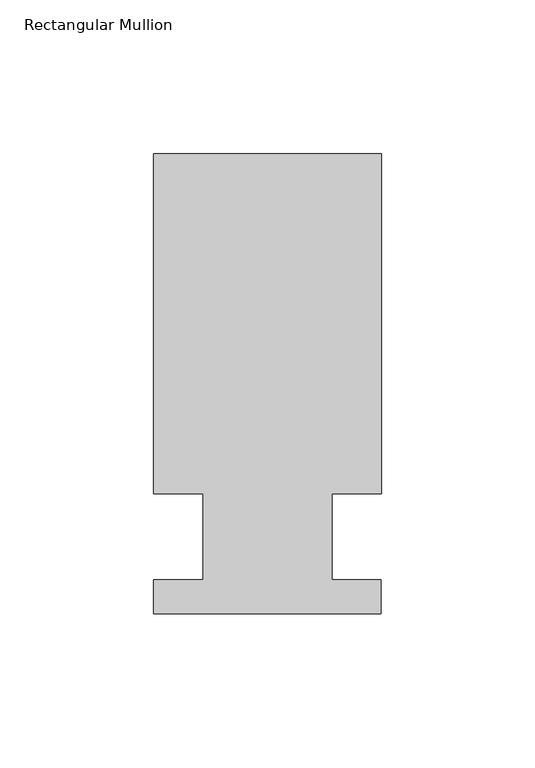
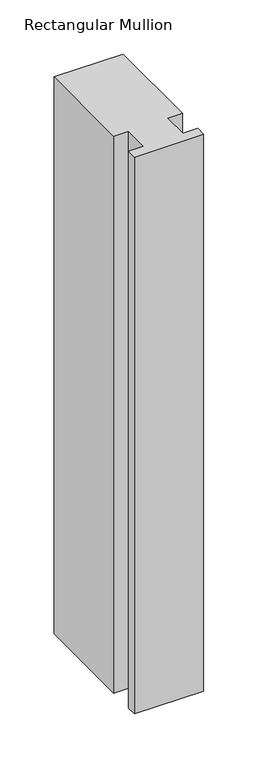
"""IFC4 building model written with IfcOpenShell, lengths in millimetres: member geometry, Rectangular Mullion."""

import ifcopenshell
import ifcopenshell.guid

model = None  # the IFC model being written
_history = None  # IfcOwnerHistory: only IFC2X3 demands one
_inside = {}  # id of a spatial element -> (the spatial element, [elements in it])
_under = {}  # id of a project, library or spatial element -> (it, [spatial elements below it])
_declared = {}  # id of a project -> (the project, [libraries it declares])
_typed = {}  # id of a type object -> (the type object, [elements of that type])
_made_of = {}  # id of a material, layer set ... -> (it, [elements and type objects made of it])


def new_model(schema):
    """Start an empty IFC model of exactly this schema.

    Asked for "IFC4X3", IfcOpenShell would pick the latest addendum, in which some entities
    have other attributes; the version numbers below select the first issue.
    IFC2X3 requires an IfcOwnerHistory on every rooted entity: one is made here for all.
    """
    global model, _history
    if schema == "IFC4X3":
        model = ifcopenshell.file(schema_version=(4, 3, 0, 0))
    else:
        model = ifcopenshell.file(schema=schema)
    _inside.clear()
    _under.clear()
    _declared.clear()
    _typed.clear()
    _made_of.clear()
    _history = None
    if model.schema == "IFC2X3":
        org = make("IfcOrganization", Name="unknown")
        user = make(
            "IfcPersonAndOrganization",
            ThePerson=make("IfcPerson", FamilyName="unknown"),
            TheOrganization=org,
        )
        app = make(
            "IfcApplication",
            ApplicationDeveloper=org,
            Version="unknown",
            ApplicationFullName="unknown",
            ApplicationIdentifier="unknown",
        )
        _history = make(
            "IfcOwnerHistory",
            OwningUser=user,
            OwningApplication=app,
            ChangeAction="ADDED",
            CreationDate=0,
        )
    return model


def make(cls, **values):
    """One entity of the class cls with the attributes given. An attribute that is None is left unset."""
    return model.create_entity(
        cls, **{name: value for name, value in values.items() if value is not None}
    )


def rooted(cls, **values):
    """An entity with a GlobalId (a new one), such as an element, a storey or a relation."""
    return make(cls, GlobalId=ifcopenshell.guid.new(), OwnerHistory=_history, **values)


def si_unit(unit_type, name, prefix=None):
    """IfcSIUnit, for example si_unit("LENGTHUNIT", "METRE", prefix="MILLI")."""
    return make("IfcSIUnit", UnitType=unit_type, Prefix=prefix, Name=name)


def assignment(units):
    """IfcUnitAssignment: the units of a project."""
    return None if units is None else make("IfcUnitAssignment", Units=units)


def point(xyz):
    """IfcCartesianPoint."""
    return None if xyz is None else make("IfcCartesianPoint", Coordinates=xyz)


def direction(xyz):
    """IfcDirection."""
    return None if xyz is None else make("IfcDirection", DirectionRatios=xyz)


def frame(location, z_axis=None, x_axis=None):
    """IfcAxis2Placement3D, a coordinate frame: its origin and axes. An axis left out is left unset."""
    return make(
        "IfcAxis2Placement3D",
        Location=point(location),
        Axis=direction(z_axis),
        RefDirection=direction(x_axis),
    )


def origin():
    """The frame at (0, 0, 0) with its axes left unset."""
    return frame((0.0, 0.0, 0.0))


def place(relative_to, where):
    """IfcLocalPlacement: puts the frame where relative to a parent placement (None: the world)."""
    return make(
        "IfcLocalPlacement", PlacementRelTo=relative_to, RelativePlacement=where
    )


def context(
    kind, dimensions, precision=None, world=None, true_north=None, identifier=None
):
    """IfcGeometricRepresentationContext, for example the 3D "Model" context."""
    return make(
        "IfcGeometricRepresentationContext",
        ContextIdentifier=identifier,
        ContextType=kind,
        CoordinateSpaceDimension=dimensions,
        Precision=precision,
        WorldCoordinateSystem=world,
        TrueNorth=true_north,
    )


def project(units=None, contexts=None):
    """IfcProject with its units and contexts."""
    return rooted(
        "IfcProject",
        Name="project",
        RepresentationContexts=contexts,
        UnitsInContext=assignment(units),
    )


def spatial(cls, under=None, at=None, **own):
    """A site, building, storey or space (cls), placed at a placement, below another one or the project."""
    s = rooted(cls, ObjectPlacement=at, **own)
    if under is not None:
        _under.setdefault(under.id(), (under, []))[1].append(s)
    return s


def polyline(points):
    """IfcPolyline through the points."""
    return make("IfcPolyline", Points=[point(p) for p in points])


def outline(outer, holes=None, kind="AREA"):
    """IfcArbitraryClosedProfileDef: a profile drawn as a closed curve; with holes, ...WithVoids."""
    if holes is None:
        return make("IfcArbitraryClosedProfileDef", ProfileType=kind, OuterCurve=outer)
    return make(
        "IfcArbitraryProfileDefWithVoids",
        ProfileType=kind,
        OuterCurve=outer,
        InnerCurves=holes,
    )


def extrude(swept, where, along, depth):
    """IfcExtrudedAreaSolid: the profile swept, set in the frame where, extruded along a direction by depth."""
    return make(
        "IfcExtrudedAreaSolid",
        SweptArea=swept,
        Position=where,
        ExtrudedDirection=direction(along),
        Depth=depth,
    )


def shape(context_of_items, identifier, shape_type, items):
    """IfcShapeRepresentation: the items that make up one representation, for example the "Body"."""
    return make(
        "IfcShapeRepresentation",
        ContextOfItems=context_of_items,
        RepresentationIdentifier=identifier,
        RepresentationType=shape_type,
        Items=items,
    )


def source(mapping_origin, context_of_items, identifier, shape_type, items):
    """IfcRepresentationMap: a shape defined once, which mapped items show again and again."""
    return make(
        "IfcRepresentationMap",
        MappingOrigin=mapping_origin,
        MappedRepresentation=shape(context_of_items, identifier, shape_type, items),
    )


def transform(
    local_origin,
    x_axis=None,
    y_axis=None,
    z_axis=None,
    scale=None,
    scale2=None,
    scale3=None,
    uniform=True,
):
    """IfcCartesianTransformationOperator3D, or its non-uniform kind. x_axis, y_axis, z_axis: its Axis1, 2, 3."""
    if uniform:
        return make(
            "IfcCartesianTransformationOperator3D",
            Axis1=direction(x_axis),
            Axis2=direction(y_axis),
            LocalOrigin=point(local_origin),
            Scale=scale,
            Axis3=direction(z_axis),
        )
    return make(
        "IfcCartesianTransformationOperator3DnonUniform",
        Axis1=direction(x_axis),
        Axis2=direction(y_axis),
        LocalOrigin=point(local_origin),
        Scale=scale,
        Axis3=direction(z_axis),
        Scale2=scale2,
        Scale3=scale3,
    )


def mapped(mapping_source, mapping_target):
    """IfcMappedItem: shows the shape of a source again, moved by a transform."""
    return make(
        "IfcMappedItem", MappingSource=mapping_source, MappingTarget=mapping_target
    )


def made_of(thing, what):
    """Note that an element or type object is made of a material, layer set ...; save() writes the relation."""
    if what is not None:
        _made_of.setdefault(what.id(), (what, []))[1].append(thing)
    return thing


def element(
    cls,
    number,
    at=None,
    inside=None,
    cuts=None,
    type_object=None,
    material=None,
    context=None,
    identifier="Body",
    shape_type=None,
    held_by="IfcProductDefinitionShape",
    body=None,
    shapes=None,
    **own,
):
    """One element of the class cls, such as IfcWall. Its Tag is "e" and its number.

    at: its placement. inside: the storey or other place that contains it. cuts: it is an
    opening in that element (IfcRelVoidsElement). A single representation is given by context,
    identifier, shape_type and body (its items); several are given by shapes. held_by: the class
    of the entity that holds the representations. save() writes the other relations.
    """
    e = rooted(cls, Tag="e%d" % number, ObjectPlacement=at, **own)
    if body is not None:
        shapes = [shape(context, identifier, shape_type, body)]
    if shapes is not None:
        e.Representation = make(held_by, Representations=shapes)
    if inside is not None:
        _inside.setdefault(inside.id(), (inside, []))[1].append(e)
    if cuts is not None:
        rooted(
            "IfcRelVoidsElement", RelatingBuildingElement=cuts, RelatedOpeningElement=e
        )
    if type_object is not None:
        _typed.setdefault(type_object.id(), (type_object, []))[1].append(e)
    return made_of(e, material)


def aggregate(whole, parts):
    """IfcRelAggregates: a whole, such as a stair, and the parts it consists of."""
    return rooted("IfcRelAggregates", RelatingObject=whole, RelatedObjects=parts)


def save(model, path):
    """Write the relations noted so far, then the file.

    IfcRelAggregates (storeys below a building ...), IfcRelContainedInSpatialStructure (elements
    in a storey), IfcRelDefinesByType, IfcRelAssociatesMaterial and IfcRelDeclares: one each for
    every whole, place, type object, material and project.
    """
    for whole, parts in _under.values():
        aggregate(whole, parts)
    for where, things in _inside.values():
        rooted(
            "IfcRelContainedInSpatialStructure",
            RelatedElements=things,
            RelatingStructure=where,
        )
    for kind, things in _typed.values():
        rooted("IfcRelDefinesByType", RelatedObjects=things, RelatingType=kind)
    for what, things in _made_of.values():
        rooted("IfcRelAssociatesMaterial", RelatedObjects=things, RelatingMaterial=what)
    for by, libraries in _declared.values():
        rooted("IfcRelDeclares", RelatingContext=by, RelatedDefinitions=libraries)
    model.write(path)


def rectangular_mullion_1a9e31ff(model_context):
    return source(origin(), model_context, "Body", "SweptSolid", [
        extrude(outline(polyline([(-20.9800745, 13.9998907), (-37.0, 13.9998907), (-37.0, 124.5), (37.0, 124.5), (37.0, 13.9998907), (20.9800745, 13.9998907), (20.9800745, -14.0), (36.9800745, -14.0), (36.9800745, -25.0), (-37.0, -25.0), (-37.0, -14.0), (-20.9800745, -14.0), (-20.9800745, 13.9998907)])), frame((0.0, 0.0, -629.2376689), z_axis=(0.0, 0.0, 1.0), x_axis=(1.0, 0.0, 0.0)), (0.0, 0.0, 1.0), 629.2376689),
    ])


if __name__ == "__main__":
    model = new_model("IFC4")
    model_context = context("Model", 3, world=origin())
    ifc_project = project(units=[si_unit("LENGTHUNIT", "METRE", prefix="MILLI")], contexts=[model_context])
    site = spatial("IfcSite", under=ifc_project)
    building = spatial("IfcBuilding", under=site)
    placement = place(None, origin())
    rectangular_mullion_shape = rectangular_mullion_1a9e31ff(model_context)
    element("IfcMember", 1, ObjectType="Rectangular Mullion", at=placement, inside=building, context=model_context, shape_type="MappedRepresentation", body=[
        mapped(rectangular_mullion_shape, transform((0.0, 0.0, 0.0), x_axis=(1.0, 0.0, 0.0), y_axis=(0.0, 1.0, 0.0), z_axis=(0.0, 0.0, 1.0))),
    ])
    save(model, "model.ifc")
